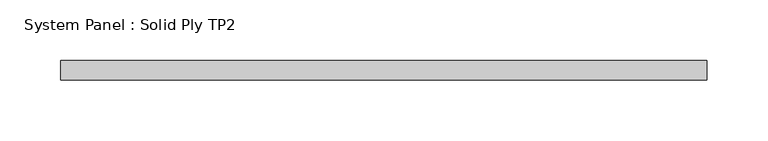
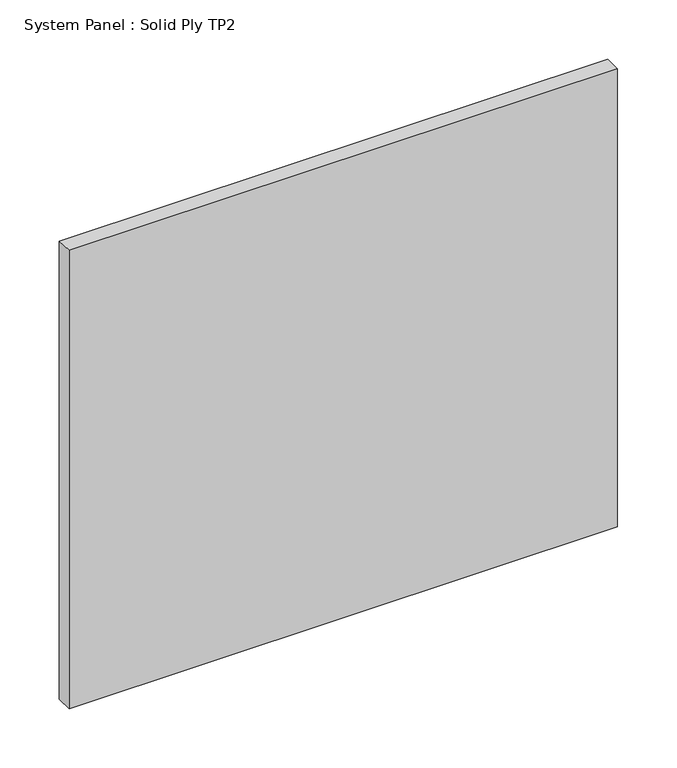
"""IFC4 building model written with IfcOpenShell, lengths in millimetres: plate geometry, System Panel : Solid Ply TP2."""

from ifc_helpers import new_model, si_unit, origin, origin_with_axes, place, context, project, spatial, polyline, outline, extrude, source, transform, mapped, element, save


def system_panel_solid_ply_tp2_6d5fd62f(model_context):
    return source(origin(), model_context, "Body", "SweptSolid", [
        extrude(outline(polyline([(265.995865, -23.0), (-265.995865, -23.0), (-265.995865, -7.0), (265.995865, -7.0), (265.995865, -23.0)])), origin_with_axes(), (0.0, 0.0, 1.0), 470.0),
    ])


if __name__ == "__main__":
    model = new_model("IFC4")
    model_context = context("Model", 3, world=origin())
    ifc_project = project(units=[si_unit("LENGTHUNIT", "METRE", prefix="MILLI")], contexts=[model_context])
    site = spatial("IfcSite", under=ifc_project)
    building = spatial("IfcBuilding", under=site)
    placement = place(None, origin())
    system_panel_solid_ply_tp2_shape = system_panel_solid_ply_tp2_6d5fd62f(model_context)
    element("IfcPlate", 1, ObjectType="System Panel : Solid Ply TP2", at=placement, inside=building, context=model_context, shape_type="MappedRepresentation", body=[
        mapped(system_panel_solid_ply_tp2_shape, transform((0.0, 0.0, 0.0), x_axis=(1.0, 0.0, 0.0), y_axis=(0.0, 1.0, 0.0), z_axis=(0.0, 0.0, 1.0))),
    ])
    save(model, "model.ifc")
